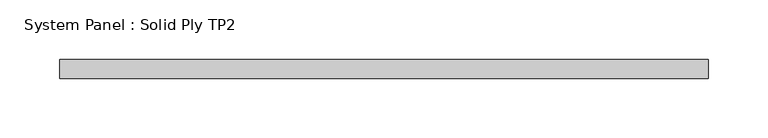
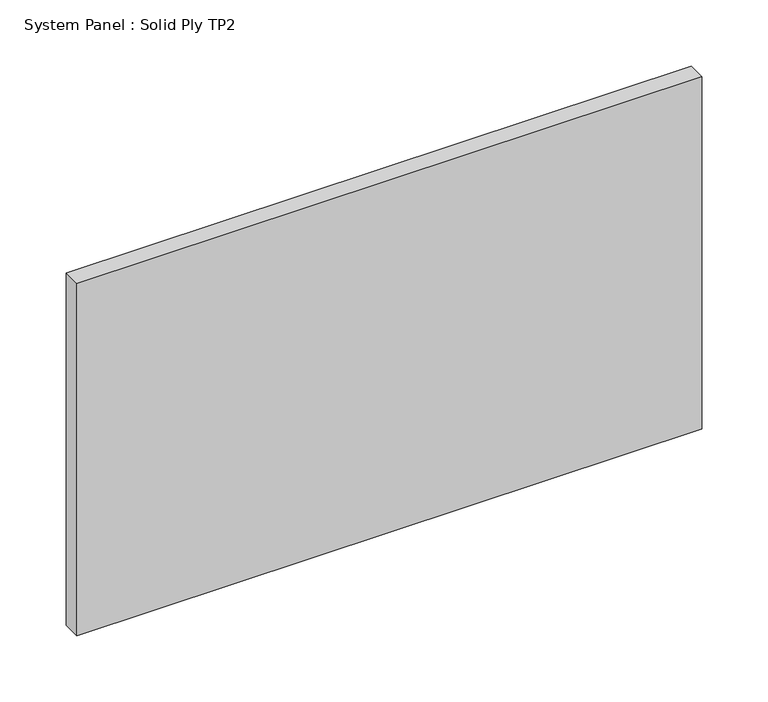
"""IFC4 building model written with IfcOpenShell, lengths in millimetres: plate geometry, System Panel : Solid Ply TP2."""

from ifc_helpers import new_model, si_unit, origin, origin_with_axes, place, context, project, spatial, polyline, outline, extrude, source, transform, mapped, element, save


def system_panel_solid_ply_tp2_75d90db5(model_context):
    return source(origin(), model_context, "Body", "SweptSolid", [
        extrude(outline(polyline([(272.4795291, -23.0), (-272.4795291, -23.0), (-272.4795291, -7.0), (272.4795291, -7.0), (272.4795291, -23.0)])), origin_with_axes(), (0.0, 0.0, 1.0), 325.0),
    ])


if __name__ == "__main__":
    model = new_model("IFC4")
    model_context = context("Model", 3, world=origin())
    ifc_project = project(units=[si_unit("LENGTHUNIT", "METRE", prefix="MILLI")], contexts=[model_context])
    site = spatial("IfcSite", under=ifc_project)
    building = spatial("IfcBuilding", under=site)
    placement = place(None, origin())
    system_panel_solid_ply_tp2_shape = system_panel_solid_ply_tp2_75d90db5(model_context)
    element("IfcPlate", 1, ObjectType="System Panel : Solid Ply TP2", at=placement, inside=building, context=model_context, shape_type="MappedRepresentation", body=[
        mapped(system_panel_solid_ply_tp2_shape, transform((0.0, 0.0, 0.0), x_axis=(1.0, 0.0, 0.0), y_axis=(0.0, 1.0, 0.0), z_axis=(0.0, 0.0, 1.0))),
    ])
    save(model, "model.ifc")
